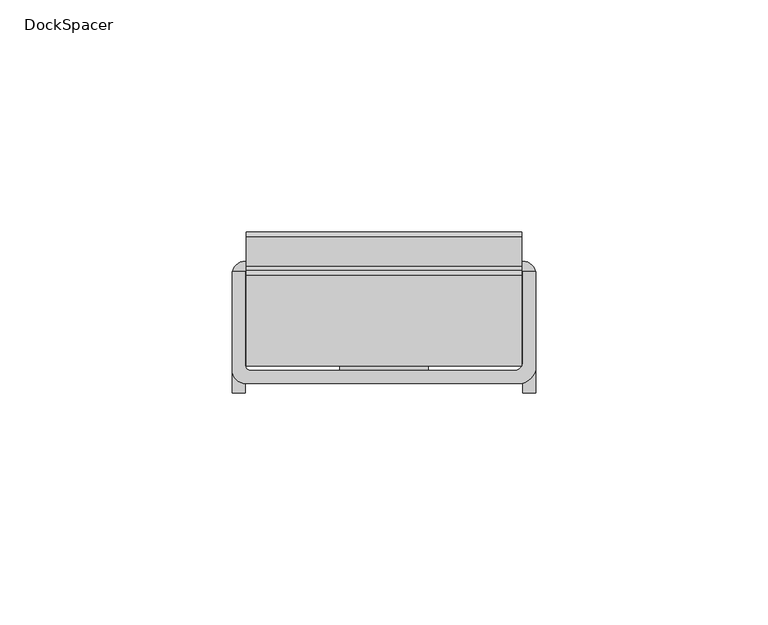
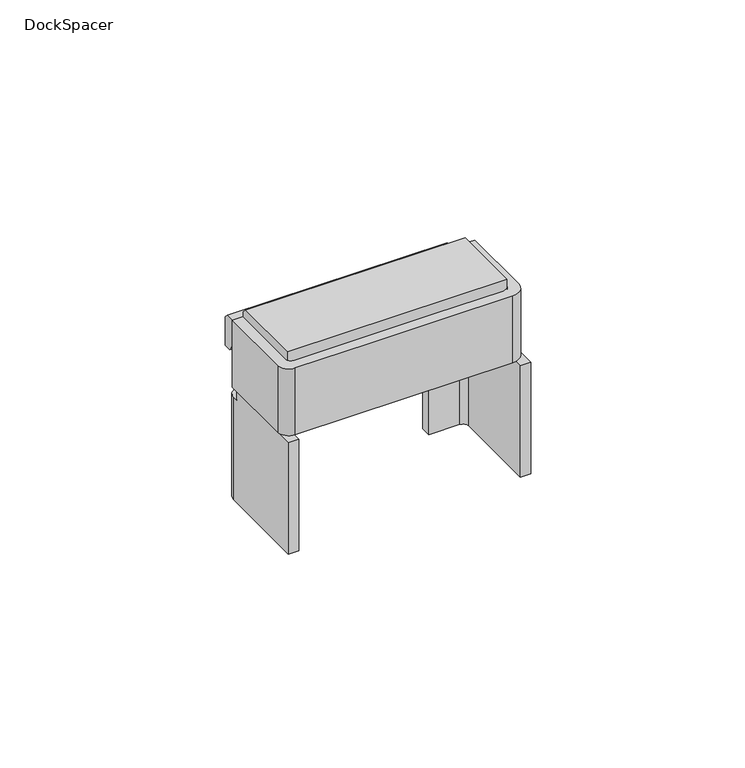
"""IFC4 building model written with IfcOpenShell, lengths in millimetres: furniture geometry, DockSpacer."""

from ifc_helpers import new_model, si_unit, frame, origin, place, context, project, spatial, polyline, circle_curve, outline, extrude, source, transform, mapped, element, save
from ifc_brep_helpers import plane_surface, cylinder_surface, revolved_surface, advanced_brep


def dockspacer_6cd18385(model_context):
    return source(origin(), model_context, "Body", "SolidModel", [
        advanced_brep(
        [(116.4588169, -26.2451118, 547.1345904), (120.0969617, -22.606967, 547.1345904), (120.0969617, -2.1151121, 547.1345904), (117.3181979, -2.1151121, 547.1345904), (117.3181979, -21.5660182, 547.1345904), (115.4178636, -23.4663524, 547.1345904), (96.9194657, -23.4663524, 547.1345904), (77.8694657, -23.4663524, 547.1345904), (58.8343387, -23.4663524, 547.1345904), (57.4707244, -22.1027382, 547.1345904), (57.4707244, -2.1151121, 547.1345904), (54.6919605, -2.1151121, 547.1345904), (54.6919605, -23.2601315, 547.1345904), (57.6769408, -26.2451118, 547.1345904), (77.8694657, -26.2451118, 547.1345904), (96.9194657, -26.2451118, 547.1345904), (116.4588169, -26.2451118, 528.0845904), (57.6769408, -26.2451118, 528.0845904), (54.6919605, -23.2601315, 528.0845904), (54.6919605, -2.1151121, 528.0845904), (57.4707244, -2.1151121, 528.0845904), (57.4707244, -22.1027382, 528.0845904), (58.8343387, -23.4663524, 528.0845904), (115.4178636, -23.4663524, 528.0845904), (117.3181979, -21.5660182, 528.0845904), (117.3181979, -2.1151121, 528.0845904), (120.0969617, -2.1151121, 528.0845904), (120.0969617, -22.606967, 528.0845904), (96.9194657, -23.4663524, 528.8942941), (96.9194657, -23.4663524, 533.118798), (77.8694657, -23.4663524, 533.118798), (77.8694657, -23.4663524, 528.8942941), (96.9194657, -21.9881414, 531.640587), (96.9194657, -23.0091464, 528.8618322), (96.9194657, -3.385112, 528.8618322), (96.9194657, -3.385112, 531.640587), (77.8694657, -21.9881414, 531.640587), (77.8694657, -3.385112, 531.640587), (77.8694657, -3.385112, 528.8618322), (77.8694657, -23.0091464, 528.8618322)],
        [
            (0, 1, circle_curve(frame((116.4588169, -22.606967, 547.1345904), z_axis=(0.0, 0.0, 1.0), x_axis=(1.0, 0.0, 0.0)), 3.6381448)),
            (1, 2),
            (2, 3),
            (3, 4),
            (4, 5, circle_curve(frame((115.4178636, -21.5660182, 547.1345904), z_axis=(0.0, 0.0, -1.0), x_axis=(1.0, 0.0, 0.0)), 1.9003343)),
            (5, 6),
            (6, 7),
            (7, 8),
            (8, 9, circle_curve(frame((58.8343387, -22.1027382, 547.1345904), z_axis=(0.0, 0.0, -1.0), x_axis=(1.0, 0.0, 0.0)), 1.3636143)),
            (9, 10),
            (10, 11),
            (11, 12),
            (12, 13, circle_curve(frame((57.6769408, -23.2601315, 547.1345904), z_axis=(0.0, 0.0, 1.0), x_axis=(1.0, 0.0, 0.0)), 2.9849803)),
            (13, 14),
            (14, 15),
            (15, 0),
            (16, 17),
            (17, 18, circle_curve(frame((57.6769408, -23.2601315, 528.0845904), z_axis=(0.0, 0.0, -1.0), x_axis=(1.0, 0.0, 0.0)), 2.9849803)),
            (18, 19),
            (19, 20),
            (20, 21),
            (21, 22, circle_curve(frame((58.8343387, -22.1027382, 528.0845904), z_axis=(0.0, 0.0, 1.0), x_axis=(1.0, 0.0, 0.0)), 1.3636143)),
            (22, 23),
            (23, 24, circle_curve(frame((115.4178636, -21.5660182, 528.0845904), z_axis=(0.0, 0.0, 1.0), x_axis=(1.0, 0.0, 0.0)), 1.9003343)),
            (24, 25),
            (25, 26),
            (26, 27),
            (27, 16, circle_curve(frame((116.4588169, -22.606967, 528.0845904), z_axis=(0.0, 0.0, -1.0), x_axis=(1.0, 0.0, 0.0)), 3.6381448)),
            (0, 16),
            (27, 1),
            (26, 2),
            (25, 3),
            (24, 4),
            (23, 5),
            (22, 8),
            (28, 29),
            (29, 30),
            (30, 31),
            (31, 28),
            (10, 20),
            (19, 11),
            (18, 12),
            (17, 13),
            (21, 9),
            (32, 29, circle_curve(frame((96.9194657, -21.9881414, 533.118798), z_axis=(-1.0, 0.0, 0.0), x_axis=(0.0, -1.0, 0.0)), 1.478211)),
            (28, 33, circle_curve(frame((96.9194657, -23.0091464, 532.0977976), z_axis=(1.0, 0.0, 0.0), x_axis=(0.0, -1.0, 0.0)), 3.2359654)),
            (33, 34),
            (34, 35),
            (35, 32),
            (36, 37),
            (37, 38),
            (38, 39),
            (39, 31, circle_curve(frame((77.8694657, -23.0091464, 532.0977976), z_axis=(-1.0, 0.0, 0.0), x_axis=(0.0, -1.0, 0.0)), 3.2359654)),
            (30, 36, circle_curve(frame((77.8694657, -21.9881414, 533.118798), z_axis=(1.0, 0.0, 0.0), x_axis=(0.0, -1.0, 0.0)), 1.478211)),
            (32, 36),
            (39, 33),
            (38, 34),
            (37, 35),
        ],
        [
            plane_surface(frame((120.0969617, -22.606967, 547.1345904), z_axis=(0.0, 0.0, 1.0), x_axis=(0.0, 1.0, 0.0))),
            plane_surface(frame((120.0969617, -22.606967, 528.0845904), z_axis=(0.0, 0.0, -1.0), x_axis=(0.0, -1.0, 0.0))),
            cylinder_surface(frame((116.4588169, -22.606967, 528.0845904), z_axis=(0.0, 0.0, 1.0), x_axis=(1.0, 0.0, 0.0)), 3.6381448),
            plane_surface(frame((120.0969617, -22.606967, 547.1345904), z_axis=(1.0, 0.0, 0.0), x_axis=(0.0, 0.0, -1.0))),
            plane_surface(frame((120.0969617, -2.1151121, 547.1345904), z_axis=(0.0, 1.0, 0.0), x_axis=(0.0, 0.0, -1.0))),
            plane_surface(frame((117.3181979, -2.1151121, 547.1345904), z_axis=(-1.0, 0.0, 0.0), x_axis=(0.0, 0.0, -1.0))),
            revolved_surface(polyline([(117.3181979, -21.5660182, 528.0845904), (117.3181979, -21.5660182, 547.1345904)]), (115.4178636, -21.5660182, 528.0845904), (0.0, 0.0, -1.0)),
            plane_surface(frame((115.4178636, -23.4663524, 547.1345904), z_axis=(0.0, 1.0, 0.0), x_axis=(0.0, 0.0, -1.0))),
            plane_surface(frame((57.4707244, -2.1151121, 547.1345904), z_axis=(0.0, 1.0, 0.0), x_axis=(0.0, 0.0, -1.0))),
            plane_surface(frame((54.6919605, -2.1151121, 547.1345904), z_axis=(-1.0, 0.0, 0.0), x_axis=(0.0, 0.0, -1.0))),
            cylinder_surface(frame((57.6769408, -23.2601315, 528.0845904), z_axis=(0.0, 0.0, 1.0), x_axis=(1.0, 0.0, 0.0)), 2.9849803),
            plane_surface(frame((57.6769408, -26.2451118, 547.1345904), z_axis=(0.0, -1.0, 0.0), x_axis=(0.0, 0.0, -1.0))),
            revolved_surface(polyline([(60.197953000000005, -22.1027382, 528.0845904), (60.197953000000005, -22.1027382, 547.1345904)]), (58.8343387, -22.1027382, 528.0845904), (0.0, 0.0, -1.0)),
            plane_surface(frame((57.4707244, -22.1027382, 547.1345904), z_axis=(1.0, 0.0, 0.0), x_axis=(0.0, 0.0, -1.0))),
            plane_surface(frame((96.9194657, -23.4663524, 533.118798), z_axis=(1.0, 0.0, 0.0), x_axis=(0.0, 0.0, 1.0))),
            plane_surface(frame((77.8694657, -23.4663524, 533.118798), z_axis=(-1.0, 0.0, 0.0), x_axis=(0.0, 0.0, -1.0))),
            revolved_surface(polyline([(77.8694657, -23.466352399999998, 533.118798), (96.9194657, -23.466352399999998, 533.118798)]), (77.8694657, -21.9881414, 533.118798), (-1.0, 0.0, 0.0)),
            cylinder_surface(frame((77.8694657, -23.0091464, 532.0977976), z_axis=(1.0, 0.0, 0.0), x_axis=(0.0, -1.0, 0.0)), 3.2359654),
            plane_surface(frame((96.9194657, -23.0091464, 528.8618322), z_axis=(0.0, 0.0, -1.0), x_axis=(-1.0, 0.0, 0.0))),
            plane_surface(frame((96.9194657, -3.385112, 528.8618322), z_axis=(0.0, 1.0, 0.0), x_axis=(-1.0, 0.0, 0.0))),
            plane_surface(frame((96.9194657, -3.385112, 531.640587), z_axis=(0.0, 0.0, 1.0), x_axis=(-1.0, 0.0, 0.0))),
        ],
        [
            (0, [[1, 2, 3, 4, 5, 6, 7, 8, 9, 10, 11, 12, 13, 14, 15, 16]]),
            (1, [[17, 18, 19, 20, 21, 22, 23, 24, 25, 26, 27, 28]]),
            (2, [[-1, 29, -28, 30]]),
            (3, [[-2, -30, -27, 31]]),
            (4, [[-3, -31, -26, 32]]),
            (5, [[-4, -32, -25, 33]]),
            (6, [[-5, -33, -24, 34]]),
            (7, [[-23, 35, -8, -7, -6, -34], [36, 37, 38, 39]]),
            (8, [[-11, 40, -20, 41]]),
            (9, [[-12, -41, -19, 42]]),
            (10, [[-13, -42, -18, 43]]),
            (11, [[-17, -29, -16, -15, -14, -43]]),
            (12, [[-9, -35, -22, 44]]),
            (13, [[-10, -44, -21, -40]]),
            (14, [[45, -36, 46, 47, 48, 49]]),
            (15, [[50, 51, 52, 53, -38, 54]]),
            (16, [[-45, 55, -54, -37]]),
            (17, [[56, -46, -39, -53]]),
            (18, [[-47, -56, -52, 57]]),
            (19, [[-48, -57, -51, 58]]),
            (20, [[-49, -58, -50, -55]]),
        ],
    ),
        extrude(outline(polyline([(-4.256724, 538.3641955), (-6.911034, 533.7668017), (-21.4652346, 533.7668017), (-22.4812336, 534.7828008), (-22.4812336, 549.3877959), (-2.8978342, 549.3877959), (-1.8818342, 548.3717969), (-1.8818342, 543.9521902), (-0.8658342, 542.9361912), (5.4079656, 542.9361912), (6.4239657, 541.9201921), (6.4239657, 533.7668017), (4.2649658, 533.7668017), (1.6106557, 538.3641955), (-4.256724, 538.3641955)])), frame((57.7399622, 0.0, 0.0), z_axis=(1.0, 0.0, 0.0), x_axis=(0.0, 1.0, 0.0)), (0.0, 0.0, 1.0), 59.3089979),
        advanced_brep(
        [(120.0969617, -2.7231645, 525.5445929), (117.2181494, 0.1556479, 525.5445929), (107.3969602, 0.1556479, 525.5445929), (107.3969602, -2.6231122, 525.5445929), (115.7899124, -2.6231122, 525.5445929), (117.3181979, -4.1513976, 525.5445929), (120.0969617, -4.1513976, 525.5445929), (120.0969617, -2.7231645, 496.3346025), (120.0969617, -28.2771121, 496.3346025), (117.3181979, -28.2771121, 496.3346025), (117.3181979, -4.1513976, 496.3346025), (115.7899124, -2.6231122, 496.3346025), (107.3969602, -2.6231122, 496.3346025), (107.3969602, 0.1556479, 496.3346025), (117.2181494, 0.1556479, 496.3346025), (120.0969617, -4.1513976, 528.0845904), (120.0969617, -28.2771121, 528.0845904), (117.3181979, -28.2771121, 528.0845904), (117.3181979, -4.1513976, 528.0845904)],
        [
            (0, 1, circle_curve(frame((117.2181494, -2.7231645, 525.5445929), z_axis=(0.0, 0.0, 1.0), x_axis=(-1.0, 0.0, 0.0)), 2.8788124)),
            (1, 2),
            (2, 3),
            (3, 4),
            (4, 5, circle_curve(frame((115.7899124, -4.1513976, 525.5445929), z_axis=(0.0, 0.0, -1.0), x_axis=(-1.0, 0.0, 0.0)), 1.5282855)),
            (5, 6),
            (6, 0),
            (7, 8),
            (8, 9),
            (9, 10),
            (10, 11, circle_curve(frame((115.7899124, -4.1513976, 496.3346025), z_axis=(0.0, 0.0, 1.0), x_axis=(-1.0, 0.0, 0.0)), 1.5282855)),
            (11, 12),
            (12, 13),
            (13, 14),
            (14, 7, circle_curve(frame((117.2181494, -2.7231645, 496.3346025), z_axis=(0.0, 0.0, -1.0), x_axis=(-1.0, 0.0, 0.0)), 2.8788124)),
            (7, 0),
            (6, 15),
            (15, 16),
            (16, 8),
            (16, 17),
            (17, 9),
            (17, 18),
            (18, 5),
            (5, 10),
            (4, 11),
            (3, 12),
            (2, 13),
            (1, 14),
            (15, 18),
        ],
        [
            plane_surface(frame((114.339337, -2.7231645, 525.5445929), z_axis=(0.0, 0.0, 1.0), x_axis=(0.0, -1.0, 0.0))),
            plane_surface(frame((114.339337, -2.7231645, 496.3346025), z_axis=(0.0, 0.0, -1.0), x_axis=(0.0, 1.0, 0.0))),
            plane_surface(frame((120.0969617, -28.2771121, 525.5445929), z_axis=(1.0, 0.0, 0.0), x_axis=(0.0, 0.0, -1.0))),
            plane_surface(frame((117.3181979, -28.2771121, 525.5445929), z_axis=(0.0, -1.0, 0.0), x_axis=(0.0, 0.0, -1.0))),
            plane_surface(frame((117.3181979, -4.1513976, 525.5445929), z_axis=(-1.0, 0.0, 0.0), x_axis=(0.0, 0.0, -1.0))),
            revolved_surface(polyline([(114.26162690000001, -4.1513976, 496.3346025), (114.26162690000001, -4.1513976, 525.5445929)]), (115.7899124, -4.1513976, 496.3346025), (0.0, 0.0, -1.0)),
            plane_surface(frame((107.3969602, -2.6231122, 525.5445929), z_axis=(0.0, -1.0, 0.0), x_axis=(0.0, 0.0, -1.0))),
            plane_surface(frame((107.3969602, 0.1556479, 525.5445929), z_axis=(-1.0, 0.0, 0.0), x_axis=(0.0, 0.0, -1.0))),
            plane_surface(frame((117.2181494, 0.1556479, 525.5445929), z_axis=(0.0, 1.0, 0.0), x_axis=(0.0, 0.0, -1.0))),
            cylinder_surface(frame((117.2181494, -2.7231645, 496.3346025), z_axis=(0.0, 0.0, 1.0), x_axis=(-1.0, 0.0, 0.0)), 2.8788124),
            plane_surface(frame((117.3181979, -4.1513976, 528.0845904), z_axis=(0.0, 0.0, 1.0), x_axis=(-1.0, 0.0, 0.0))),
            plane_surface(frame((120.0969617, -4.1513976, 528.0845904), z_axis=(0.0, 1.0, 0.0), x_axis=(0.0, 0.0, -1.0))),
        ],
        [
            (0, [[1, 2, 3, 4, 5, 6, 7]]),
            (1, [[8, 9, 10, 11, 12, 13, 14, 15]]),
            (2, [[-8, 16, -7, 17, 18, 19]]),
            (3, [[-9, -19, 20, 21]]),
            (4, [[-10, -21, 22, 23, 24]]),
            (5, [[-5, 25, -11, -24]]),
            (6, [[-4, 26, -12, -25]]),
            (7, [[-3, 27, -13, -26]]),
            (8, [[-2, 28, -14, -27]]),
            (9, [[-1, -16, -15, -28]]),
            (10, [[29, -22, -20, -18]]),
            (11, [[-29, -17, -6, -23]]),
        ],
    ),
        advanced_brep(
        [(57.4707244, -4.1513976, 525.5445929), (58.9990099, -2.6231122, 525.5445929), (67.3919621, -2.6231122, 525.5445929), (67.3919621, 0.1556479, 525.5445929), (57.5707729, 0.1556479, 525.5445929), (54.6919605, -2.7231645, 525.5445929), (54.6919605, -4.1513976, 525.5445929), (54.6919605, -2.7231645, 496.3346025), (57.5707729, 0.1556479, 496.3346025), (67.3919621, 0.1556479, 496.3346025), (67.3919621, -2.6231122, 496.3346025), (58.9990099, -2.6231122, 496.3346025), (57.4707244, -4.1513976, 496.3346025), (57.4707244, -28.2771121, 496.3346025), (54.6919605, -28.2771121, 496.3346025), (54.6919605, -28.2771121, 528.0845904), (54.6919605, -4.1513976, 528.0845904), (57.4707244, -28.2771121, 528.0845904), (57.4707244, -4.1513976, 528.0845904)],
        [
            (0, 1, circle_curve(frame((58.9990099, -4.1513976, 525.5445929), z_axis=(0.0, 0.0, -1.0), x_axis=(1.0, 0.0, 0.0)), 1.5282855)),
            (1, 2),
            (2, 3),
            (3, 4),
            (4, 5, circle_curve(frame((57.5707729, -2.7231645, 525.5445929), z_axis=(0.0, 0.0, 1.0), x_axis=(1.0, 0.0, 0.0)), 2.8788124)),
            (5, 6),
            (6, 0),
            (7, 8, circle_curve(frame((57.5707729, -2.7231645, 496.3346025), z_axis=(0.0, 0.0, -1.0), x_axis=(1.0, 0.0, 0.0)), 2.8788124)),
            (8, 9),
            (9, 10),
            (10, 11),
            (11, 12, circle_curve(frame((58.9990099, -4.1513976, 496.3346025), z_axis=(0.0, 0.0, 1.0), x_axis=(1.0, 0.0, 0.0)), 1.5282855)),
            (12, 13),
            (13, 14),
            (14, 7),
            (14, 15),
            (15, 16),
            (16, 6),
            (5, 7),
            (13, 17),
            (17, 15),
            (12, 0),
            (0, 18),
            (18, 17),
            (11, 1),
            (10, 2),
            (9, 3),
            (8, 4),
            (18, 16),
        ],
        [
            plane_surface(frame((114.339337, -2.7231645, 525.5445929), z_axis=(0.0, 0.0, 1.0), x_axis=(0.0, -1.0, 0.0))),
            plane_surface(frame((114.339337, -2.7231645, 496.3346025), z_axis=(0.0, 0.0, -1.0), x_axis=(0.0, 1.0, 0.0))),
            plane_surface(frame((54.6919605, -2.7231645, 525.5445929), z_axis=(-1.0, 0.0, 0.0), x_axis=(0.0, 0.0, -1.0))),
            plane_surface(frame((54.6919605, -28.2771121, 525.5445929), z_axis=(0.0, -1.0, 0.0), x_axis=(0.0, 0.0, -1.0))),
            plane_surface(frame((57.4707244, -28.2771121, 525.5445929), z_axis=(1.0, 0.0, 0.0), x_axis=(0.0, 0.0, -1.0))),
            revolved_surface(polyline([(60.5272954, -4.1513976, 496.3346025), (60.5272954, -4.1513976, 525.5445929)]), (58.9990099, -4.1513976, 0.0), (0.0, 0.0, -1.0)),
            plane_surface(frame((58.9990099, -2.6231122, 525.5445929), z_axis=(0.0, -1.0, 0.0), x_axis=(0.0, 0.0, -1.0))),
            plane_surface(frame((67.3919621, -2.6231122, 525.5445929), z_axis=(1.0, 0.0, 0.0), x_axis=(0.0, 0.0, -1.0))),
            plane_surface(frame((67.3919621, 0.1556479, 525.5445929), z_axis=(0.0, 1.0, 0.0), x_axis=(0.0, 0.0, -1.0))),
            cylinder_surface(frame((57.5707729, -2.7231645, 0.0), z_axis=(0.0, 0.0, 1.0), x_axis=(1.0, 0.0, 0.0)), 2.8788124),
            plane_surface(frame((117.3181979, -4.1513976, 528.0845904), z_axis=(0.0, 0.0, 1.0), x_axis=(-1.0, 0.0, 0.0))),
            plane_surface(frame((57.4707244, -4.1513976, 528.0845904), z_axis=(0.0, 1.0, 0.0), x_axis=(0.0, 0.0, -1.0))),
        ],
        [
            (0, [[1, 2, 3, 4, 5, 6, 7]]),
            (1, [[8, 9, 10, 11, 12, 13, 14, 15]]),
            (2, [[-15, 16, 17, 18, -6, 19]]),
            (3, [[-16, -14, 20, 21]]),
            (4, [[-20, -13, 22, 23, 24]]),
            (5, [[-1, -22, -12, 25]]),
            (6, [[-2, -25, -11, 26]]),
            (7, [[-3, -26, -10, 27]]),
            (8, [[-4, -27, -9, 28]]),
            (9, [[-5, -28, -8, -19]]),
            (10, [[-17, -21, -24, 29]]),
            (11, [[-29, -23, -7, -18]]),
        ],
    ),
    ])


if __name__ == "__main__":
    model = new_model("IFC4")
    model_context = context("Model", 3, world=origin())
    ifc_project = project(units=[si_unit("LENGTHUNIT", "METRE", prefix="MILLI")], contexts=[model_context])
    site = spatial("IfcSite", under=ifc_project)
    building = spatial("IfcBuilding", under=site)
    placement = place(None, origin())
    dockspacer_shape = dockspacer_6cd18385(model_context)
    element("IfcFurniture", 1, ObjectType="DockSpacer", at=placement, inside=building, context=model_context, shape_type="MappedRepresentation", body=[
        mapped(dockspacer_shape, transform((0.0, 0.0, 0.0), x_axis=(1.0, 0.0, 0.0), y_axis=(0.0, 1.0, 0.0), z_axis=(0.0, 0.0, 1.0))),
    ])
    save(model, "model.ifc")
